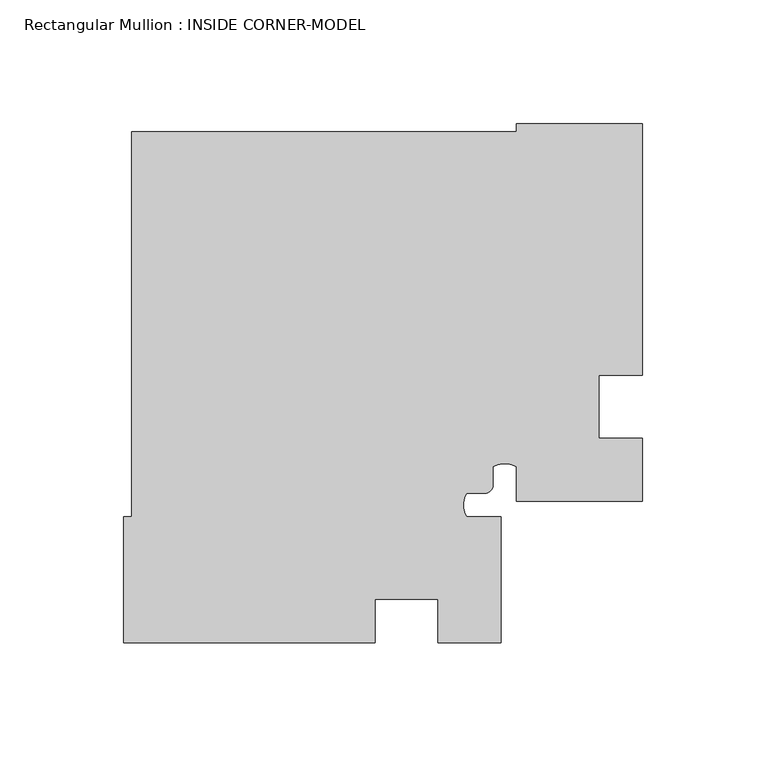
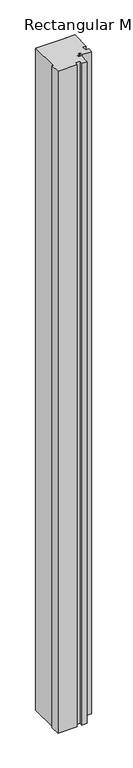
"""IFC4 building model written with IfcOpenShell, lengths in millimetres: member geometry, Rectangular Mullion : INSIDE CORNER-MODEL."""

from ifc_helpers import new_model, si_unit, point, frame, frame_2d, origin, place, context, project, spatial, polyline, circle_curve, trimmed, segment, composite_curve, outline, extrude, source, transform, mapped, element, save


def rectangular_mullion_inside_corner_model_a67ce051(model_context):
    return source(origin(), model_context, "Body", "SweptSolid", [
        extrude(outline(composite_curve([segment(polyline([(-101.6, 50.8), (-119.0498, 50.8), (-119.0498, 25.4), (-101.6, 25.4), (-101.6, 0.0), (-152.4, 0.0), (-152.4, 13.8176)]), True, "CONTINUOUS"), segment(trimmed(circle_curve(frame_2d((-157.1625, 5.568708)), 9.525), [point((-152.4, 13.8176))], [point((-161.925, 13.8176))], True, "CARTESIAN"), True, "CONTINUOUS"), segment(polyline([(-161.925, 13.8176), (-161.925, 6.35)]), True, "CONTINUOUS"), segment(trimmed(circle_curve(frame_2d((-165.1, 6.35)), 3.175), [point((-161.925, 6.35))], [point((-165.1, 3.175))], False, "CARTESIAN"), True, "CONTINUOUS"), segment(polyline([(-165.1, 3.175), (-172.5676, 3.175)]), True, "CONTINUOUS"), segment(trimmed(circle_curve(frame_2d((-164.318708, -1.5875)), 9.525), [point((-172.5676, 3.175))], [point((-172.5676, -6.35))], True, "CARTESIAN"), True, "CONTINUOUS"), segment(polyline([(-172.5676, -6.35), (-158.75, -6.35), (-158.75, -57.15), (-184.15, -57.15), (-184.15, -39.7002), (-209.55, -39.7002), (-209.55, -57.15), (-311.15, -57.15), (-311.15, -6.35), (-307.9749996, -6.35), (-307.9749996, 149.2249996), (-152.4000006, 149.2249996), (-152.4, 152.4), (-101.6, 152.4), (-101.6, 50.8)]), True, "CONTINUOUS")], self_intersect=False)), frame((0.0, 0.0, -3657.6), z_axis=(0.0, 0.0, 1.0), x_axis=(1.0, 0.0, 0.0)), (0.0, 0.0, 1.0), 3657.6),
    ])


if __name__ == "__main__":
    model = new_model("IFC4")
    model_context = context("Model", 3, world=origin())
    ifc_project = project(units=[si_unit("LENGTHUNIT", "METRE", prefix="MILLI")], contexts=[model_context])
    site = spatial("IfcSite", under=ifc_project)
    building = spatial("IfcBuilding", under=site)
    placement = place(None, origin())
    rectangular_mullion_inside_corner_model_shape = rectangular_mullion_inside_corner_model_a67ce051(model_context)
    element("IfcMember", 1, ObjectType="Rectangular Mullion : INSIDE CORNER-MODEL", at=placement, inside=building, context=model_context, shape_type="MappedRepresentation", body=[
        mapped(rectangular_mullion_inside_corner_model_shape, transform((0.0, 0.0, 0.0), x_axis=(1.0, 0.0, 0.0), y_axis=(0.0, 1.0, 0.0), z_axis=(0.0, 0.0, 1.0))),
    ])
    save(model, "model.ifc")
